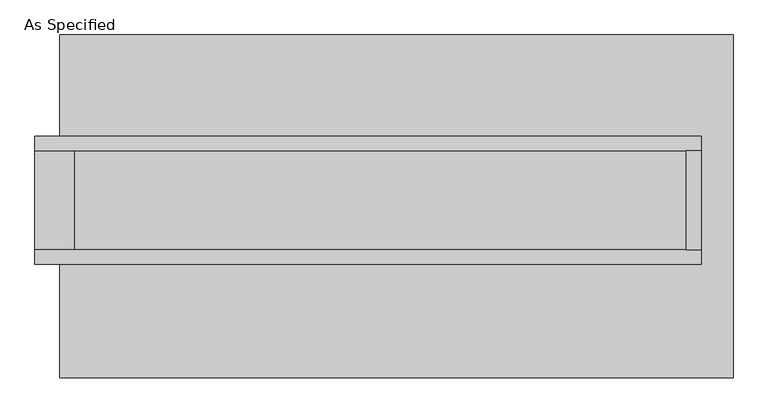
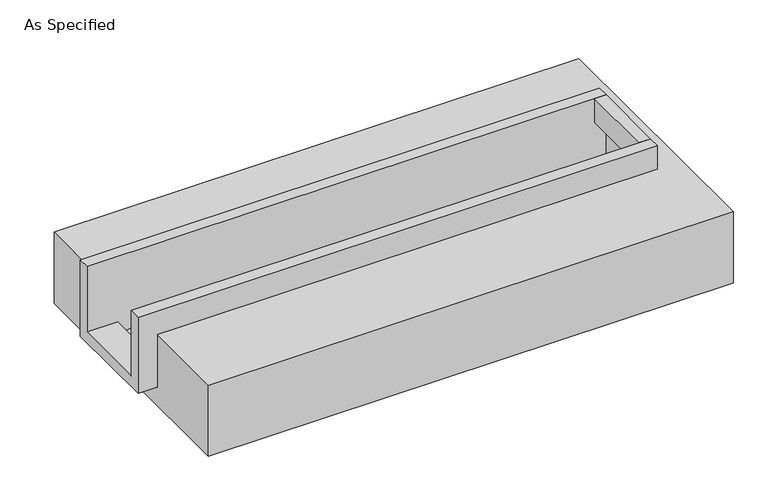
"""IFC4 building model written with IfcOpenShell, lengths in millimetres: proxy geometry, As Specified."""

from ifc_helpers import new_model, si_unit, frame, origin, place, context, project, spatial, polyline, outline, extrude, faceted_brep, source, transform, mapped, element, save


def as_specified_2538ead2(model_context):
    return source(origin(), model_context, "Body", "SolidModel", [
        extrude(outline(polyline([(1492.25, 285.75), (1568.45, 285.75), (1568.45, -222.25), (1492.25, -222.25), (1492.25, 285.75)])), frame((0.0, 0.0, -25.4), z_axis=(0.0, 0.0, 1.0), x_axis=(1.0, 0.0, 0.0)), (0.0, 0.0, 1.0), 165.1),
        faceted_brep([(1568.45, 285.75, 139.7), (1568.45, 285.75, -317.5), (1568.45, -222.25, -317.5), (1568.45, -222.25, 139.7), (1568.45, -298.45, 139.7), (1568.45, -298.45, -393.7), (1568.45, 361.95, -393.7), (1568.45, 361.95, 139.7), (-1860.55, 285.75, 139.7), (-1860.55, 361.95, 139.7), (-1860.55, 361.95, -393.7), (-1860.55, -298.45, -393.7), (-1860.55, -298.45, 139.7), (-1860.55, -222.25, 139.7), (-1860.55, -222.25, -317.5), (-1860.55, 285.75, -317.5), (-1657.35, 285.75, -393.7), (-1657.35, -222.25, -393.7), (1492.25, -222.25, -393.7), (1492.25, 285.75, -393.7), (1492.25, -222.25, -317.5), (-1657.35, -222.25, -317.5), (1492.25, 285.75, -317.5), (-1657.35, 285.75, -317.5)], [[[0, 1, 2, 3, 4, 5, 6, 7]], [[8, 9, 10, 11, 12, 13, 14, 15]], [[0, 7, 9, 8]], [[7, 6, 10, 9]], [[6, 5, 11, 10], [16, 17, 18, 19]], [[4, 3, 13, 12]], [[3, 2, 20, 18, 17, 21, 14, 13]], [[2, 1, 22, 20]], [[15, 14, 21, 23]], [[1, 0, 8, 15, 23, 16, 19, 22]], [[21, 17, 16, 23]], [[18, 20, 22, 19]], [[5, 4, 12, 11]]]),
        faceted_brep([(-1733.55, 882.65, -523.9742188), (1733.55, 882.65, -523.9742188), (1733.55, -882.65, -523.9742188), (-1733.55, -882.65, -523.9742188), (1733.55, 882.65, -25.4), (-1733.55, 882.65, -25.4), (-1733.55, 361.95, -25.4), (1568.45, 361.95, -25.4), (1568.45, -298.45, -25.4), (-1733.55, -298.45, -25.4), (-1733.55, -882.65, -25.4), (1733.55, -882.65, -25.4), (-1733.55, -298.45, -393.7), (-1733.55, 361.95, -393.7), (1568.45, 361.95, -393.7), (1568.45, -298.45, -393.7)], [[[0, 1, 2, 3]], [[4, 5, 6, 7, 8, 9, 10, 11]], [[1, 0, 5, 4]], [[5, 0, 3, 10, 9, 12, 13, 6]], [[1, 4, 11, 2]], [[3, 2, 11, 10]], [[14, 15, 8, 7]], [[13, 14, 7, 6]], [[15, 14, 13, 12]], [[15, 12, 9, 8]]]),
    ])


if __name__ == "__main__":
    model = new_model("IFC4")
    model_context = context("Model", 3, world=origin())
    ifc_project = project(units=[si_unit("LENGTHUNIT", "METRE", prefix="MILLI")], contexts=[model_context])
    site = spatial("IfcSite", under=ifc_project)
    building = spatial("IfcBuilding", under=site)
    placement = place(None, origin())
    as_specified_shape = as_specified_2538ead2(model_context)
    element("IfcBuildingElementProxy", 1, Name="As Specified", ObjectType="As Specified", at=placement, inside=building, context=model_context, shape_type="MappedRepresentation", body=[
        mapped(as_specified_shape, transform((0.0, 0.0, 0.0), x_axis=(1.0, 0.0, 0.0), y_axis=(0.0, 1.0, 0.0), z_axis=(0.0, 0.0, 1.0))),
    ])
    save(model, "model.ifc")
